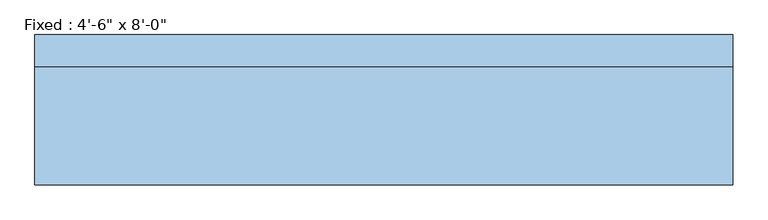
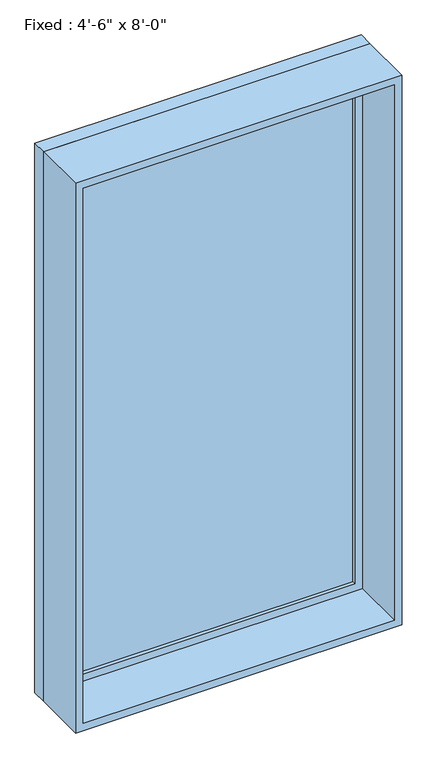
"""IFC4 building model written with IfcOpenShell, lengths in millimetres: window geometry."""

from ifc_helpers import new_model, si_unit, frame, origin, place, context, project, spatial, polyline, outline, extrude, source, transform, mapped, element, save


def window_c4d98346(model_context):
    return source(origin(), model_context, "Body", "SweptSolid", [
        extrude(outline(polyline([(584.2, 100.0125), (-660.4, 100.0125), (-660.4, 112.7125), (584.2, 112.7125), (584.2, 100.0125)])), frame((0.0, 0.0, 317.5), z_axis=(0.0, 0.0, 1.0), x_axis=(1.0, 0.0, 0.0)), (0.0, 0.0, 1.0), 2311.4),
        extrude(outline(polyline([(2673.35, -704.85), (273.05, -704.85), (273.05, 628.65), (2673.35, 628.65), (2673.35, -704.85)]), holes=[polyline([(2628.9, -660.4), (2628.9, 584.2), (317.5, 584.2), (317.5, -660.4), (2628.9, -660.4)])]), frame((0.0, 84.1375, 0.0), z_axis=(0.0, 1.0, 0.0), x_axis=(0.0, 0.0, 1.0)), (0.0, 0.0, 1.0), 44.45),
        extrude(outline(polyline([(2692.4, -723.9), (254.0, -723.9), (254.0, 647.7), (2692.4, 647.7), (2692.4, -723.9)]), holes=[polyline([(2660.65, -692.15), (2660.65, 615.95), (285.75, 615.95), (285.75, -692.15), (2660.65, -692.15)])]), frame((0.0, -147.6375, 0.0), z_axis=(0.0, 1.0, 0.0), x_axis=(0.0, 0.0, 1.0)), (0.0, 0.0, 1.0), 231.775),
        extrude(outline(polyline([(2692.4, 647.7), (2692.4, -723.9), (254.0, -723.9), (254.0, 647.7), (2692.4, 647.7)]), holes=[polyline([(2673.35, 628.65), (273.05, 628.65), (273.05, -704.85), (2673.35, -704.85), (2673.35, 628.65)])]), frame((0.0, 84.1375, 0.0), z_axis=(0.0, 1.0, 0.0), x_axis=(0.0, 0.0, 1.0)), (0.0, 0.0, 1.0), 63.5),
    ])


if __name__ == "__main__":
    model = new_model("IFC4")
    model_context = context("Model", 3, world=origin())
    ifc_project = project(units=[si_unit("LENGTHUNIT", "METRE", prefix="MILLI")], contexts=[model_context])
    site = spatial("IfcSite", under=ifc_project)
    building = spatial("IfcBuilding", under=site)
    placement = place(None, origin())
    window_shape = window_c4d98346(model_context)
    element("IfcWindow", 1, ObjectType="Fixed : 4'-6\" x 8'-0\"", at=placement, inside=building, context=model_context, shape_type="MappedRepresentation", body=[
        mapped(window_shape, transform((0.0, 0.0, 0.0), x_axis=(1.0, 0.0, 0.0), y_axis=(0.0, 1.0, 0.0), z_axis=(0.0, 0.0, 1.0))),
    ])
    save(model, "model.ifc")
